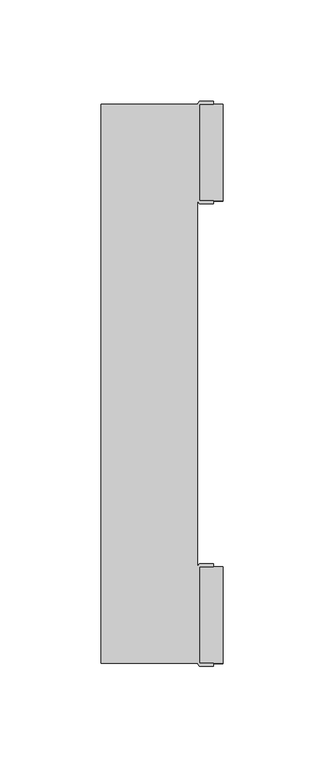
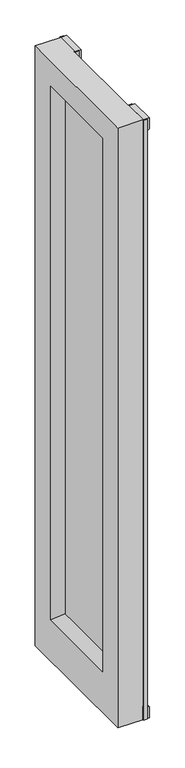
"""IFC4 building model written with IfcOpenShell, lengths in millimetres: furniture geometry."""

from ifc_helpers import new_model, si_unit, frame, origin, place, context, project, spatial, polyline, circle_curve, outline, extrude, faceted_brep, source, transform, mapped, element, save
from ifc_brep_helpers import plane_surface, cylinder_surface, advanced_brep


def furniture_0c660b26(model_context):
    return source(origin(), model_context, "Body", "SolidModel", [
        extrude(outline(polyline([(36.5124985, 252.1646741), (9.525, 252.1646741), (9.525, 264.8646748), (31.7500003, 264.8646748), (36.5124985, 256.9271743), (36.5124985, 252.1646741)])), frame((0.0, -1694.9246858, 0.0), z_axis=(0.0, 1.0, 0.0), x_axis=(0.0, 0.0, 1.0)), (0.0, 0.0, 1.0), 47.7268886),
        extrude(outline(polyline([(264.8646748, -1883.6334029), (264.8646748, -1915.3834035), (256.9271743, -1920.145904), (252.1646741, -1920.145904), (252.1646741, -1878.8709025), (256.9271743, -1878.8709025), (264.8646748, -1883.6334029)])), frame((0.0, 0.0, 31.7500003), z_axis=(0.0, 0.0, 1.0), x_axis=(1.0, 0.0, 0.0)), (0.0, 0.0, 1.0), 1174.7499997),
        extrude(outline(polyline([(264.8646748, -1686.7834085), (256.7573573, -1691.6477992), (252.1646741, -1691.6477992), (252.1646741, -1650.3727977), (257.0969912, -1650.3727977), (264.8646748, -1655.0334079), (264.8646748, -1686.7834085)])), frame((0.0, 0.0, 31.7500003), z_axis=(0.0, 0.0, 1.0), x_axis=(1.0, 0.0, 0.0)), (0.0, 0.0, 1.0), 1174.7499997),
        extrude(outline(polyline([(36.5124985, 252.1646741), (9.525, 252.1646741), (9.525, 264.8646748), (31.7500003, 264.8646748), (36.5124985, 256.9271743), (36.5124985, 252.1646741)])), frame((0.0, -1923.4227911, 0.0), z_axis=(0.0, 1.0, 0.0), x_axis=(0.0, 0.0, 1.0)), (0.0, 0.0, 1.0), 47.7268886),
        advanced_brep(
        [(228.3451351, -1844.2850999, 31.7500003), (228.3451351, -1856.9850999, 31.7500003), (228.3451351, -1850.6350999, 31.7500003), (228.3451351, -1844.2850999, 4.7625), (228.3451351, -1856.9850999, 4.7625), (228.3451351, -1837.9350999, 4.7625), (228.3451351, -1863.3350999, 4.7625), (228.3451351, -1837.9350999, 0.0), (228.3451351, -1863.3350999, 0.0), (228.3451351, -1850.6350999, 0.0)],
        [
            (0, 1, circle_curve(frame((228.3451351, -1850.6350999, 31.7500003), z_axis=(0.0, 0.0, 1.0), x_axis=(0.0, -1.0, 0.0)), 6.35)),
            (1, 2),
            (2, 0),
            (1, 0, circle_curve(frame((228.3451351, -1850.6350999, 31.7500003), z_axis=(0.0, 0.0, 1.0), x_axis=(0.0, -1.0, 0.0)), 6.35)),
            (3, 4, circle_curve(frame((228.3451351, -1850.6350999, 4.7625), z_axis=(0.0, 0.0, 1.0), x_axis=(0.0, -1.0, 0.0)), 6.35)),
            (4, 1),
            (0, 3),
            (4, 3, circle_curve(frame((228.3451351, -1850.6350999, 4.7625), z_axis=(0.0, 0.0, 1.0), x_axis=(0.0, -1.0, 0.0)), 6.35)),
            (5, 6, circle_curve(frame((228.3451351, -1850.6350999, 4.7625), z_axis=(0.0, 0.0, 1.0), x_axis=(0.0, -1.0, 0.0)), 12.7)),
            (6, 4),
            (3, 5),
            (6, 5, circle_curve(frame((228.3451351, -1850.6350999, 4.7625), z_axis=(0.0, 0.0, 1.0), x_axis=(0.0, -1.0, 0.0)), 12.7)),
            (7, 8, circle_curve(frame((228.3451351, -1850.6350999, 0.0), z_axis=(0.0, 0.0, 1.0), x_axis=(0.0, -1.0, 0.0)), 12.7)),
            (8, 6),
            (5, 7),
            (8, 7, circle_curve(frame((228.3451351, -1850.6350999, 0.0), z_axis=(0.0, 0.0, 1.0), x_axis=(0.0, -1.0, 0.0)), 12.7)),
            (9, 8),
            (7, 9),
        ],
        [
            plane_surface(frame((228.3451351, -1850.6350999, 31.7500003), z_axis=(0.0, 0.0, 1.0), x_axis=(0.0, -1.0, 0.0))),
            cylinder_surface(frame((228.3451351, -1850.6350999, 119.5096682), z_axis=(0.0, 0.0, -1.0), x_axis=(0.0, -1.0, 0.0)), 6.35),
            plane_surface(frame((228.3451351, -1850.6350999, 4.7625), z_axis=(0.0, 0.0, 1.0), x_axis=(0.0, -1.0, 0.0))),
            cylinder_surface(frame((228.3451351, -1850.6350999, 119.5096682), z_axis=(0.0, 0.0, -1.0), x_axis=(0.0, -1.0, 0.0)), 12.7),
            plane_surface(frame((228.3451351, -1850.6350999, 0.0), z_axis=(0.0, 0.0, -1.0), x_axis=(0.0, -1.0, 0.0))),
        ],
        [
            (0, [[1, 2, 3]]),
            (0, [[4, -3, -2]]),
            (1, [[5, 6, -1, 7]]),
            (1, [[8, -7, -4, -6]]),
            (2, [[9, 10, -5, 11]]),
            (2, [[12, -11, -8, -10]]),
            (3, [[13, 14, -9, 15]]),
            (3, [[16, -15, -12, -14]]),
            (4, [[17, -13, 18]]),
            (4, [[-18, -16, -17]]),
        ],
    ),
        advanced_brep(
        [(228.3451351, -1720.1591958, 0.0), (228.3451351, -1732.8591958, 0.0), (228.3451351, -1707.4591958, 0.0), (228.3451351, -1713.8091958, 31.7500003), (228.3451351, -1726.5091958, 31.7500003), (228.3451351, -1720.1591958, 31.7500003), (228.3451351, -1713.8091958, 4.7625), (228.3451351, -1726.5091958, 4.7625), (228.3451351, -1707.4591958, 4.7625), (228.3451351, -1732.8591958, 4.7625)],
        [
            (0, 1),
            (1, 2, circle_curve(frame((228.3451351, -1720.1591958, 0.0), z_axis=(0.0, 0.0, -1.0), x_axis=(0.0, -1.0, 0.0)), 12.7)),
            (2, 0),
            (2, 1, circle_curve(frame((228.3451351, -1720.1591958, 0.0), z_axis=(0.0, 0.0, -1.0), x_axis=(0.0, -1.0, 0.0)), 12.7)),
            (3, 4, circle_curve(frame((228.3451351, -1720.1591958, 31.7500003), z_axis=(0.0, 0.0, 1.0), x_axis=(0.0, -1.0, 0.0)), 6.35)),
            (4, 5),
            (5, 3),
            (4, 3, circle_curve(frame((228.3451351, -1720.1591958, 31.7500003), z_axis=(0.0, 0.0, 1.0), x_axis=(0.0, -1.0, 0.0)), 6.35)),
            (6, 7, circle_curve(frame((228.3451351, -1720.1591958, 4.7625), z_axis=(0.0, 0.0, 1.0), x_axis=(0.0, -1.0, 0.0)), 6.35)),
            (7, 4),
            (3, 6),
            (7, 6, circle_curve(frame((228.3451351, -1720.1591958, 4.7625), z_axis=(0.0, 0.0, 1.0), x_axis=(0.0, -1.0, 0.0)), 6.35)),
            (8, 9, circle_curve(frame((228.3451351, -1720.1591958, 4.7625), z_axis=(0.0, 0.0, 1.0), x_axis=(0.0, -1.0, 0.0)), 12.7)),
            (9, 7),
            (6, 8),
            (9, 8, circle_curve(frame((228.3451351, -1720.1591958, 4.7625), z_axis=(0.0, 0.0, 1.0), x_axis=(0.0, -1.0, 0.0)), 12.7)),
            (1, 9),
            (8, 2),
        ],
        [
            plane_surface(frame((228.3451351, -1720.1591958, 0.0), z_axis=(0.0, 0.0, -1.0), x_axis=(0.0, -1.0, 0.0))),
            plane_surface(frame((228.3451351, -1720.1591958, 31.7500003), z_axis=(0.0, 0.0, 1.0), x_axis=(0.0, -1.0, 0.0))),
            cylinder_surface(frame((228.3451351, -1720.1591958, 128.4525152), z_axis=(0.0, 0.0, -1.0), x_axis=(0.0, -1.0, 0.0)), 6.35),
            plane_surface(frame((228.3451351, -1720.1591958, 4.7625), z_axis=(0.0, 0.0, 1.0), x_axis=(0.0, -1.0, 0.0))),
            cylinder_surface(frame((228.3451351, -1720.1591958, 128.4525152), z_axis=(0.0, 0.0, -1.0), x_axis=(0.0, -1.0, 0.0)), 12.7),
        ],
        [
            (0, [[1, 2, 3]]),
            (0, [[-3, 4, -1]]),
            (1, [[5, 6, 7]]),
            (1, [[8, -7, -6]]),
            (2, [[9, 10, -5, 11]]),
            (2, [[12, -11, -8, -10]]),
            (3, [[13, 14, -9, 15]]),
            (3, [[16, -15, -12, -14]]),
            (4, [[-2, 17, -13, 18]]),
            (4, [[-4, -18, -16, -17]]),
        ],
    ),
        faceted_brep([(252.1646741, -1694.9246858, 1228.725), (252.1646741, -1875.6959025, 1228.725), (252.1646741, -1875.6959025, 9.525), (252.1646741, -1694.9246858, 9.525), (252.1646741, -1872.1442117, 92.4516966), (252.1646741, -1872.1442117, 1177.5482789), (252.1646741, -1698.2725993, 1177.5482789), (252.1646741, -1698.2725993, 92.4516966), (253.2729164, -1874.1084025, 1228.725), (253.2729164, -1874.1084025, 9.525), (260.1056252, -1924.9084025, 9.525), (253.2729164, -1924.9084025, 9.525), (252.1646741, -1923.4227911, 9.525), (204.5326532, -1923.4227911, 9.525), (204.5326532, -1647.1977972, 9.525), (252.1646741, -1647.1977972, 9.525), (253.2729164, -1645.6102972, 9.525), (260.1056252, -1645.6102972, 9.525), (260.1056252, -1647.1977972, 9.525), (253.2729164, -1647.1977972, 9.525), (253.2729164, -1694.9246858, 9.525), (260.1056252, -1694.9246858, 9.525), (260.1056252, -1696.4102972, 9.525), (253.2729164, -1696.4102972, 9.525), (260.1056252, -1874.1084025, 9.525), (260.1056252, -1875.6959025, 9.525), (253.2729164, -1875.6959025, 9.525), (253.2729164, -1923.4227911, 9.525), (260.1056252, -1923.4227911, 9.525), (253.2729164, -1696.4102972, 1228.725), (231.5201411, -1859.4653101, 1164.8693773), (231.5201411, -1859.4653101, 105.1305981), (231.5201411, -1710.9515009, 1164.8693773), (231.5201411, -1710.9515009, 105.1305981), (204.5326532, -1923.4227911, 1228.725), (204.5326532, -1647.1977972, 1228.725), (204.5326532, -1872.1398998, 1177.5439671), (204.5326532, -1872.1398998, 92.4560084), (204.5326532, -1698.2769112, 92.4560084), (204.5326532, -1698.2769112, 1177.5439671), (252.1646741, -1647.1977972, 1228.725), (252.1646741, -1647.1977972, 41.2749755), (252.1646741, -1923.4227911, 1228.725), (252.1646741, -1923.4227911, 41.2749755), (225.170129, -1859.4653101, 1164.8693773), (225.170129, -1859.4653101, 105.1305981), (225.170129, -1710.9515009, 105.1305981), (225.170129, -1710.9515009, 1164.8693773), (260.1056252, -1924.9084025, 1228.725), (253.2729164, -1924.9084025, 1228.725), (253.2729164, -1645.6102972, 1228.725), (260.1056252, -1645.6102972, 1228.725), (260.1056252, -1647.1977972, 1228.725), (253.2729164, -1647.1977972, 1228.725), (253.2729164, -1694.9246858, 1228.725), (260.1056252, -1694.9246858, 1228.725), (260.1056252, -1696.4102972, 1228.725), (260.1056252, -1874.1084025, 1228.725), (260.1056252, -1875.6959025, 1228.725), (253.2729164, -1875.6959025, 1228.725), (253.2729164, -1923.4227911, 1228.725), (260.1056252, -1923.4227911, 1228.725)], [[[0, 1, 2, 3], [4, 5, 6, 7]], [[1, 8, 9, 2]], [[10, 11, 12, 13, 14, 15, 16, 17, 18, 19, 20, 21, 22, 23, 3, 2, 9, 24, 25, 26, 27, 28]], [[29, 0, 3, 23]], [[30, 5, 4, 31]], [[5, 30, 32, 6]], [[33, 7, 6, 32]], [[31, 4, 7, 33]], [[34, 35, 14, 13], [36, 37, 38, 39]], [[35, 40, 41, 15, 14]], [[42, 34, 13, 12, 43]], [[36, 44, 45, 37]], [[37, 45, 46, 38]], [[38, 46, 47, 39]], [[44, 36, 39, 47]], [[48, 49, 11, 10]], [[49, 42, 43, 12, 11]], [[40, 50, 16, 15, 41]], [[50, 51, 17, 16]], [[51, 52, 18, 17]], [[52, 53, 19, 18]], [[53, 54, 20, 19]], [[54, 55, 21, 20]], [[55, 56, 22, 21]], [[56, 29, 23, 22]], [[8, 57, 24, 9]], [[57, 58, 25, 24]], [[58, 59, 26, 25]], [[59, 60, 27, 26]], [[60, 61, 28, 27]], [[61, 48, 10, 28]], [[30, 31, 33, 32]], [[45, 44, 47, 46]], [[1, 0, 29, 56, 55, 54, 53, 52, 51, 50, 40, 35, 34, 42, 49, 48, 61, 60, 59, 58, 57, 8]]]),
        extrude(outline(polyline([(1228.725, 253.2729164), (1201.7375, 253.2729164), (1201.7375, 256.9271743), (1206.5, 264.8646748), (1228.725, 264.8646748), (1228.725, 253.2729164)])), frame((0.0, -1923.4227911, 0.0), z_axis=(0.0, 1.0, 0.0), x_axis=(0.0, 0.0, 1.0)), (0.0, 0.0, 1.0), 47.7268886),
        extrude(outline(polyline([(1228.725, 253.2729164), (1201.7375, 253.2729164), (1201.7375, 256.9271743), (1206.5, 264.8646748), (1228.725, 264.8646748), (1228.725, 253.2729164)])), frame((0.0, -1694.9246858, 0.0), z_axis=(0.0, 1.0, 0.0), x_axis=(0.0, 0.0, 1.0)), (0.0, 0.0, 1.0), 47.7268886),
    ])


if __name__ == "__main__":
    model = new_model("IFC4")
    model_context = context("Model", 3, world=origin())
    ifc_project = project(units=[si_unit("LENGTHUNIT", "METRE", prefix="MILLI")], contexts=[model_context])
    site = spatial("IfcSite", under=ifc_project)
    building = spatial("IfcBuilding", under=site)
    placement = place(None, origin())
    furniture_shape = furniture_0c660b26(model_context)
    element("IfcFurniture", 1, at=placement, inside=building, context=model_context, shape_type="MappedRepresentation", body=[
        mapped(furniture_shape, transform((0.0, 0.0, 0.0), x_axis=(1.0, 0.0, 0.0), y_axis=(0.0, 1.0, 0.0), z_axis=(0.0, 0.0, 1.0))),
    ])
    save(model, "model.ifc")
